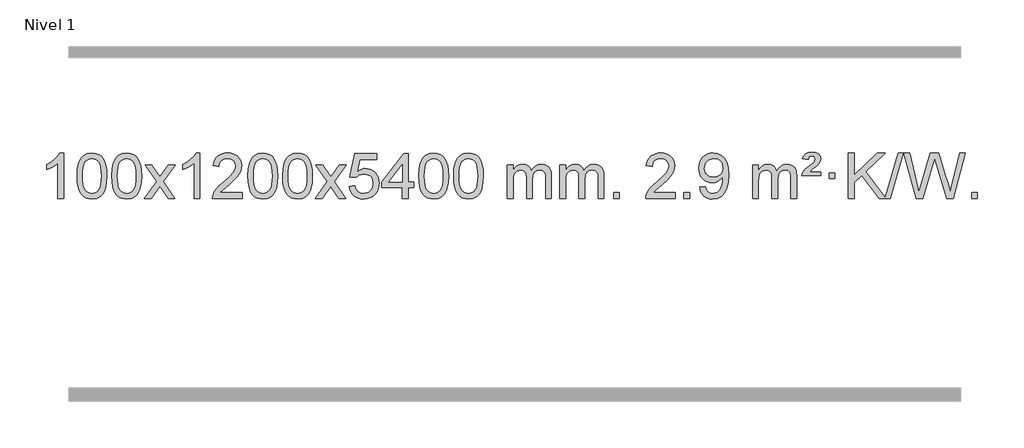
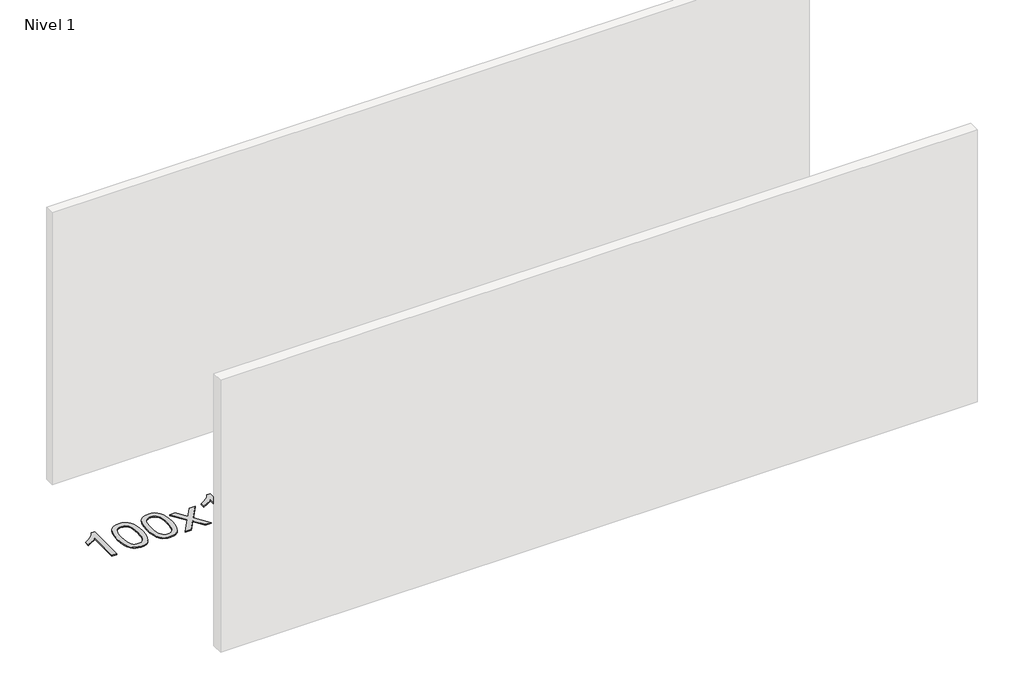
# One storey, part 12 of 16: 1 proxy.
"""IFC4 building model written with IfcOpenShell, lengths in millimetres."""

from ifc_helpers import new_model, si_unit, origin, origin_with_axes, place, context, project, spatial, polyline, outline, extrude, element, save

model = new_model("IFC4")

# Units and contexts
model_context = context("Model", 3, world=origin())
ifc_project = project(units=[si_unit("LENGTHUNIT", "METRE", prefix="MILLI")], contexts=[model_context])

# Site, building, storey
site = spatial("IfcSite", under=ifc_project)
building = spatial("IfcBuilding", under=site)
storey = spatial("IfcBuildingStorey", under=building, Name="Nivel 1", Elevation=0.0)

# Proxy
placement = place(None, origin())
element("IfcBuildingElementProxy", 1, Name="Texto de modelo 1", ObjectType="Texto de modelo 1", at=placement, inside=storey, context=model_context, shape_type="SweptSolid", body=[
    extrude(outline(polyline([(-275.4615788, -9420.579453), (-325.6897338, -9420.579453), (-325.6897338, -9107.4382987), (-346.6590076, -9124.3976587), (-373.2691385, -9141.3324932), (-426.146044, -9166.6918254), (-426.146044, -9119.2105225), (-386.6968314, -9097.7507395), (-352.520594, -9072.219729), (-325.5793692, -9045.0700378), (-307.8351943, -9018.7542124), (-275.4615788, -9018.7542124), (-275.4615788, -9420.579453)])), origin_with_axes(), (0.0, 0.0, 1.0), 10.0),
    extrude(outline(polyline([(-156.1697105, -9222.9041943), (-152.4786278, -9158.5861588), (-141.4053797, -9107.2911459), (-123.0603309, -9068.2343407), (-111.2022679, -9053.0009605), (-97.5538459, -9040.6309284), (-82.0690796, -9031.0598651), (-64.7019837, -9024.2233914), (-24.3208034, -9018.7542124), (6.6303351, -9021.991574), (34.3441121, -9031.7036586), (57.5206778, -9047.5103217), (74.8601825, -9069.0314184), (87.9567815, -9096.0830078), (98.4046302, -9128.4811488), (105.2472353, -9169.6226186), (107.5281037, -9222.9041943), (103.8738092, -9286.8543477), (92.9109257, -9338.0267333), (74.6762415, -9377.1203266), (62.8457697, -9392.3996922), (49.2065447, -9404.8341036), (33.7033843, -9414.4695462), (16.2811061, -9421.3520052), (-24.3208034, -9426.8579724), (-51.9855294, -9424.4667394), (-76.5109958, -9417.2930405), (-97.8972024, -9405.3368757), (-116.1441494, -9388.5982449), (-133.6553324, -9358.3399508), (-146.1633202, -9320.6381776), (-153.6681129, -9275.4929255), (-156.1697105, -9222.9041943)]), holes=[polyline([(-105.9415554, -9222.8060924), (-104.4700274, -9266.4706195), (-100.0554435, -9301.8148822), (-92.6978036, -9328.8388804), (-82.3971077, -9347.5426142), (-69.9381708, -9360.2682656), (-56.1058078, -9369.3580165), (-40.9000186, -9374.8118671), (-24.3208034, -9376.6298173), (-7.7415881, -9374.8057357), (7.464201, -9369.3334911), (21.296564, -9360.2130833), (33.7555009, -9347.4445124), (44.0561968, -9328.7101217), (51.4138367, -9301.6922549), (55.8284206, -9266.3909118), (57.2999486, -9222.8060924), (55.8774716, -9180.2973278), (51.6100404, -9145.5753989), (44.4976552, -9118.6403055), (34.5403158, -9099.4920476), (22.2898454, -9086.1440625), (8.2980668, -9076.6097875), (-7.4350198, -9070.8892225), (-24.9094146, -9068.9823675), (-41.4027907, -9070.6623619), (-56.3510624, -9075.7023452), (-69.7542298, -9084.1023175), (-81.6122928, -9095.8622786), (-92.2563452, -9116.708925), (-99.8592397, -9144.8151094), (-104.4209765, -9180.1808319), (-105.9415554, -9222.8060924)])]), origin_with_axes(), (0.0, 0.0, 1.0), 10.0),
    extrude(outline(polyline([(151.4777394, -9222.9041943), (155.1688221, -9158.5861588), (166.2420701, -9107.2911459), (184.5871189, -9068.2343407), (196.4451819, -9053.0009605), (210.0936039, -9040.6309284), (225.5783702, -9031.0598651), (242.9454661, -9024.2233914), (283.3266464, -9018.7542124), (314.277785, -9021.991574), (341.9915619, -9031.7036586), (365.1681276, -9047.5103217), (382.5076323, -9069.0314184), (395.6042314, -9096.0830078), (406.05208, -9128.4811488), (412.8946851, -9169.6226186), (415.1755535, -9222.9041943), (411.521259, -9286.8543477), (400.5583756, -9338.0267333), (382.3236913, -9377.1203266), (370.4932195, -9392.3996922), (356.8539945, -9404.8341036), (341.3508341, -9414.4695462), (323.928556, -9421.3520052), (283.3266464, -9426.8579724), (255.6619204, -9424.4667394), (231.1364541, -9417.2930405), (209.7502474, -9405.3368757), (191.5033004, -9388.5982449), (173.9921175, -9358.3399508), (161.4841296, -9320.6381776), (153.9793369, -9275.4929255), (151.4777394, -9222.9041943)]), holes=[polyline([(201.7058944, -9222.8060924), (203.1774224, -9266.4706195), (207.5920064, -9301.8148822), (214.9496463, -9328.8388804), (225.2503421, -9347.5426142), (237.709279, -9360.2682656), (251.5416421, -9369.3580165), (266.7474312, -9374.8118671), (283.3266464, -9376.6298173), (299.9058617, -9374.8057357), (315.1116508, -9369.3334911), (328.9440138, -9360.2130833), (341.4029507, -9347.4445124), (351.7036466, -9328.7101217), (359.0612865, -9301.6922549), (363.4758705, -9266.3909118), (364.9473984, -9222.8060924), (363.5249214, -9180.2973278), (359.2574902, -9145.5753989), (352.145105, -9118.6403055), (342.1877657, -9099.4920476), (329.9372952, -9086.1440625), (315.9455167, -9076.6097875), (300.21243, -9070.8892225), (282.7380352, -9068.9823675), (266.2446591, -9070.6623619), (251.2963874, -9075.7023452), (237.89322, -9084.1023175), (226.0351571, -9095.8622786), (215.3911047, -9116.708925), (207.7882101, -9144.8151094), (203.2264734, -9180.1808319), (201.7058944, -9222.8060924)])]), origin_with_axes(), (0.0, 0.0, 1.0), 10.0),
    extrude(outline(polyline([(440.2896311, -9420.579453), (547.6130718, -9272.2494325), (446.5681504, -9125.4890419), (506.9988995, -9125.4890419), (555.7555266, -9196.122385), (578.5151594, -9229.4770192), (598.2336343, -9202.2047007), (653.7592901, -9125.4890419), (714.1900392, -9125.4890419), (608.0438209, -9272.2494325), (710.2659646, -9420.579453), (649.8352155, -9420.579453), (588.3253459, -9331.4048574), (577.0436314, -9315.1199477), (500.7203801, -9420.579453), (440.2896311, -9420.579453)])), origin_with_axes(), (0.0, 0.0, 1.0), 10.0),
    extrude(outline(polyline([(930.014143, -9420.579453), (879.785988, -9420.579453), (879.785988, -9107.4382987), (858.8167142, -9124.3976587), (832.2065832, -9141.3324932), (779.3296778, -9166.6918254), (779.3296778, -9119.2105225), (818.7788904, -9097.7507395), (852.9551278, -9072.219729), (879.8963526, -9045.0700378), (897.6405275, -9018.7542124), (930.014143, -9018.7542124), (930.014143, -9420.579453)])), origin_with_axes(), (0.0, 0.0, 1.0), 10.0),
    extrude(outline(polyline([(1306.7253061, -9370.3512979), (1306.7253061, -9420.579453), (1043.0274919, -9420.579453), (1044.1311379, -9402.8965918), (1048.4230945, -9385.9494945), (1060.808455, -9358.8856424), (1078.9327747, -9332.6311307), (1105.1504982, -9305.1503456), (1141.8160704, -9274.4076736), (1196.017351, -9226.2641831), (1228.5381194, -9190.7267824), (1244.7985036, -9161.884834), (1250.2186316, -9133.8277005), (1245.1050719, -9108.6768347), (1229.7643927, -9087.7688747), (1206.1831568, -9073.6789943), (1176.347927, -9068.9823675), (1145.0166437, -9073.5686297), (1120.6751184, -9087.3274163), (1104.9665572, -9109.1796068), (1099.5341664, -9138.0460807), (1049.3060113, -9131.7675613), (1053.6255591, -9105.838012), (1061.4829054, -9083.1826125), (1072.8780502, -9063.8013627), (1087.8109935, -9047.6942627), (1105.9383788, -9035.0329907), (1126.9168496, -9025.989225), (1150.7464058, -9020.5629655), (1177.4270475, -9018.7542124), (1204.3468125, -9020.7653006), (1228.3051275, -9026.7985654), (1249.3019923, -9036.8540066), (1267.3374071, -9050.9316242), (1281.8227607, -9067.9890861), (1292.1694418, -9086.9840598), (1298.3774505, -9107.9165453), (1300.4467867, -9130.7865427), (1298.2149693, -9154.8092369), (1291.519517, -9178.4149983), (1279.6369285, -9202.4254299), (1261.8437027, -9227.6621347), (1233.4800009, -9257.7916701), (1189.8859844, -9296.4805933), (1132.1039857, -9344.795762), (1109.4424548, -9370.3512979), (1306.7253061, -9370.3512979)])), origin_with_axes(), (0.0, 0.0, 1.0), 10.0),
    extrude(outline(polyline([(1356.9534612, -9222.9041943), (1360.6445439, -9158.5861588), (1371.7177919, -9107.2911459), (1390.0628407, -9068.2343407), (1401.9209037, -9053.0009605), (1415.5693257, -9040.6309284), (1431.054092, -9031.0598651), (1448.4211879, -9024.2233914), (1488.8023682, -9018.7542124), (1519.7535068, -9021.991574), (1547.4672837, -9031.7036586), (1570.6438494, -9047.5103217), (1587.9833541, -9069.0314184), (1601.0799532, -9096.0830078), (1611.5278018, -9128.4811488), (1618.3704069, -9169.6226186), (1620.6512753, -9222.9041943), (1616.9969808, -9286.8543477), (1606.0340974, -9338.0267333), (1587.7994131, -9377.1203266), (1575.9689413, -9392.3996922), (1562.3297163, -9404.8341036), (1546.8265559, -9414.4695462), (1529.4042778, -9421.3520052), (1488.8023682, -9426.8579724), (1461.1376422, -9424.4667394), (1436.6121759, -9417.2930405), (1415.2259692, -9405.3368757), (1396.9790222, -9388.5982449), (1379.4678393, -9358.3399508), (1366.9598514, -9320.6381776), (1359.4550587, -9275.4929255), (1356.9534612, -9222.9041943)]), holes=[polyline([(1407.1816162, -9222.8060924), (1408.6531442, -9266.4706195), (1413.0677282, -9301.8148822), (1420.4253681, -9328.8388804), (1430.7260639, -9347.5426142), (1443.1850008, -9360.2682656), (1457.0173639, -9369.3580165), (1472.223153, -9374.8118671), (1488.8023682, -9376.6298173), (1505.3815835, -9374.8057357), (1520.5873726, -9369.3334911), (1534.4197356, -9360.2130833), (1546.8786725, -9347.4445124), (1557.1793684, -9328.7101217), (1564.5370083, -9301.6922549), (1568.9515923, -9266.3909118), (1570.4231202, -9222.8060924), (1569.0006432, -9180.2973278), (1564.733212, -9145.5753989), (1557.6208268, -9118.6403055), (1547.6634875, -9099.4920476), (1535.413017, -9086.1440625), (1521.4212385, -9076.6097875), (1505.6881518, -9070.8892225), (1488.213757, -9068.9823675), (1471.7203809, -9070.6623619), (1456.7721092, -9075.7023452), (1443.3689418, -9084.1023175), (1431.5108789, -9095.8622786), (1420.8668265, -9116.708925), (1413.2639319, -9144.8151094), (1408.7021952, -9180.1808319), (1407.1816162, -9222.8060924)])]), origin_with_axes(), (0.0, 0.0, 1.0), 10.0),
    extrude(outline(polyline([(1664.600911, -9222.9041943), (1668.2919937, -9158.5861588), (1679.3652417, -9107.2911459), (1697.7102906, -9068.2343407), (1709.5683535, -9053.0009605), (1723.2167756, -9040.6309284), (1738.7015419, -9031.0598651), (1756.0686377, -9024.2233914), (1796.4498181, -9018.7542124), (1827.4009566, -9021.991574), (1855.1147336, -9031.7036586), (1878.2912993, -9047.5103217), (1895.630804, -9069.0314184), (1908.727403, -9096.0830078), (1919.1752517, -9128.4811488), (1926.0178568, -9169.6226186), (1928.2987251, -9222.9041943), (1924.6444307, -9286.8543477), (1913.6815472, -9338.0267333), (1895.446863, -9377.1203266), (1883.6163911, -9392.3996922), (1869.9771662, -9404.8341036), (1854.4740058, -9414.4695462), (1837.0517276, -9421.3520052), (1796.4498181, -9426.8579724), (1768.785092, -9424.4667394), (1744.2596257, -9417.2930405), (1722.873419, -9405.3368757), (1704.6264721, -9388.5982449), (1687.1152891, -9358.3399508), (1674.6073013, -9320.6381776), (1667.1025086, -9275.4929255), (1664.600911, -9222.9041943)]), holes=[polyline([(1714.8290661, -9222.8060924), (1716.3005941, -9266.4706195), (1720.715178, -9301.8148822), (1728.0728179, -9328.8388804), (1738.3735138, -9347.5426142), (1750.8324507, -9360.2682656), (1764.6648137, -9369.3580165), (1779.8706028, -9374.8118671), (1796.4498181, -9376.6298173), (1813.0290333, -9374.8057357), (1828.2348225, -9369.3334911), (1842.0671855, -9360.2130833), (1854.5261224, -9347.4445124), (1864.8268182, -9328.7101217), (1872.1844581, -9301.6922549), (1876.5990421, -9266.3909118), (1878.0705701, -9222.8060924), (1876.648093, -9180.2973278), (1872.3806619, -9145.5753989), (1865.2682766, -9118.6403055), (1855.3109373, -9099.4920476), (1843.0604669, -9086.1440625), (1829.0686883, -9076.6097875), (1813.3356016, -9070.8892225), (1795.8612069, -9068.9823675), (1779.3678308, -9070.6623619), (1764.419559, -9075.7023452), (1751.0163917, -9084.1023175), (1739.1583287, -9095.8622786), (1728.5142763, -9116.708925), (1720.9113817, -9144.8151094), (1716.349645, -9180.1808319), (1714.8290661, -9222.8060924)])]), origin_with_axes(), (0.0, 0.0, 1.0), 10.0),
    extrude(outline(polyline([(1953.4128027, -9420.579453), (2060.7362434, -9272.2494325), (1959.6913221, -9125.4890419), (2020.1220711, -9125.4890419), (2068.8786982, -9196.122385), (2091.638331, -9229.4770192), (2111.3568059, -9202.2047007), (2166.8824617, -9125.4890419), (2227.3132108, -9125.4890419), (2121.1669925, -9272.2494325), (2223.3891362, -9420.579453), (2162.9583871, -9420.579453), (2101.4485175, -9331.4048574), (2090.166803, -9315.1199477), (2013.8435518, -9420.579453), (1953.4128027, -9420.579453)])), origin_with_axes(), (0.0, 0.0, 1.0), 10.0),
    extrude(outline(polyline([(2254.7817331, -9313.8446235), (2305.0098882, -9307.5661041), (2314.2314635, -9337.7201649), (2330.3201695, -9359.3148381), (2353.2024296, -9372.3010725), (2382.8046674, -9376.6298173), (2401.9345312, -9375.1245668), (2418.808052, -9370.6088153), (2433.42523, -9363.0825628), (2445.786065, -9352.5458094), (2455.6146457, -9339.519721), (2462.6350604, -9324.5254641), (2468.2513922, -9288.6324441), (2462.9906797, -9254.8363514), (2456.414789, -9240.9181493), (2447.2085421, -9228.9865099), (2435.341282, -9219.4154467), (2420.7823521, -9212.5789729), (2383.5894824, -9207.1097939), (2359.2234316, -9209.2925604), (2339.4926939, -9215.8408599), (2323.7350818, -9225.8717757), (2311.2884076, -9238.5023908), (2261.0602525, -9232.2238715), (2305.0098882, -9025.0327318), (2499.6439891, -9025.0327318), (2499.6439891, -9075.2608869), (2345.6240605, -9075.2608869), (2324.139752, -9185.919791), (2341.8655328, -9173.2155994), (2360.0205092, -9164.1411769), (2378.6046813, -9158.6965234), (2397.6180491, -9156.8816388), (2422.0791361, -9159.1318504), (2444.547529, -9165.882485), (2465.0232277, -9177.1335427), (2483.5062323, -9192.8850234), (2498.8070576, -9212.1743027), (2509.7362185, -9234.038756), (2516.2937151, -9258.4783832), (2518.4795473, -9285.4931844), (2516.5113786, -9311.5147042), (2510.6068726, -9335.7213394), (2500.7660292, -9358.1130902), (2486.9888485, -9378.6899565), (2466.1176766, -9399.7634634), (2441.7638885, -9414.8159684), (2413.9274842, -9423.8474714), (2382.6084637, -9426.8579724), (2356.6881115, -9424.9235262), (2333.2754882, -9419.1201877), (2312.3705938, -9409.447957), (2293.9734283, -9395.9068338), (2278.6664717, -9379.1712688), (2267.0322036, -9359.915712), (2259.0706241, -9338.1401636), (2254.7817331, -9313.8446235)])), origin_with_axes(), (0.0, 0.0, 1.0), 10.0),
    extrude(outline(polyline([(2725.670687, -9420.579453), (2725.670687, -9326.4016622), (2543.5936248, -9326.4016622), (2543.5936248, -9276.1735072), (2738.2277257, -9025.0327318), (2775.898842, -9025.0327318), (2775.898842, -9276.1735072), (2826.1269971, -9276.1735072), (2826.1269971, -9326.4016622), (2775.898842, -9326.4016622), (2775.898842, -9420.579453), (2725.670687, -9420.579453)]), holes=[polyline([(2725.670687, -9276.1735072), (2725.670687, -9120.9763561), (2605.3978, -9276.1735072), (2725.670687, -9276.1735072)])]), origin_with_axes(), (0.0, 0.0, 1.0), 10.0),
    extrude(outline(polyline([(2870.0766328, -9222.9041943), (2873.7677155, -9158.5861588), (2884.8409635, -9107.2911459), (2903.1860124, -9068.2343407), (2915.0440753, -9053.0009605), (2928.6924974, -9040.6309284), (2944.1772637, -9031.0598651), (2961.5443595, -9024.2233914), (3001.9255399, -9018.7542124), (3032.8766784, -9021.991574), (3060.5904554, -9031.7036586), (3083.7670211, -9047.5103217), (3101.1065258, -9069.0314184), (3114.2031248, -9096.0830078), (3124.6509735, -9128.4811488), (3131.4935786, -9169.6226186), (3133.7744469, -9222.9041943), (3130.1201525, -9286.8543477), (3119.157269, -9338.0267333), (3100.9225848, -9377.1203266), (3089.0921129, -9392.3996922), (3075.452888, -9404.8341036), (3059.9497276, -9414.4695462), (3042.5274494, -9421.3520052), (3001.9255399, -9426.8579724), (2974.2608138, -9424.4667394), (2949.7353475, -9417.2930405), (2928.3491408, -9405.3368757), (2910.1021939, -9388.5982449), (2892.5910109, -9358.3399508), (2880.0830231, -9320.6381776), (2872.5782304, -9275.4929255), (2870.0766328, -9222.9041943)]), holes=[polyline([(2920.3047879, -9222.8060924), (2921.7763158, -9266.4706195), (2926.1908998, -9301.8148822), (2933.5485397, -9328.8388804), (2943.8492356, -9347.5426142), (2956.3081725, -9360.2682656), (2970.1405355, -9369.3580165), (2985.3463246, -9374.8118671), (3001.9255399, -9376.6298173), (3018.5047551, -9374.8057357), (3033.7105442, -9369.3334911), (3047.5429073, -9360.2130833), (3060.0018442, -9347.4445124), (3070.30254, -9328.7101217), (3077.6601799, -9301.6922549), (3082.0747639, -9266.3909118), (3083.5462919, -9222.8060924), (3082.1238148, -9180.2973278), (3077.8563837, -9145.5753989), (3070.7439984, -9118.6403055), (3060.7866591, -9099.4920476), (3048.5361887, -9086.1440625), (3034.5444101, -9076.6097875), (3018.8113234, -9070.8892225), (3001.3369287, -9068.9823675), (2984.8435526, -9070.6623619), (2969.8952808, -9075.7023452), (2956.4921135, -9084.1023175), (2944.6340505, -9095.8622786), (2933.9899981, -9116.708925), (2926.3871035, -9144.8151094), (2921.8253668, -9180.1808319), (2920.3047879, -9222.8060924)])]), origin_with_axes(), (0.0, 0.0, 1.0), 10.0),
    extrude(outline(polyline([(3177.7240826, -9222.9041943), (3181.4151653, -9158.5861588), (3192.4884134, -9107.2911459), (3210.8334622, -9068.2343407), (3222.6915252, -9053.0009605), (3236.3399472, -9040.6309284), (3251.8247135, -9031.0598651), (3269.1918094, -9024.2233914), (3309.5729897, -9018.7542124), (3340.5241282, -9021.991574), (3368.2379052, -9031.7036586), (3391.4144709, -9047.5103217), (3408.7539756, -9069.0314184), (3421.8505746, -9096.0830078), (3432.2984233, -9128.4811488), (3439.1410284, -9169.6226186), (3441.4218968, -9222.9041943), (3437.7676023, -9286.8543477), (3426.8047188, -9338.0267333), (3408.5700346, -9377.1203266), (3396.7395628, -9392.3996922), (3383.1003378, -9404.8341036), (3367.5971774, -9414.4695462), (3350.1748992, -9421.3520052), (3309.5729897, -9426.8579724), (3281.9082637, -9424.4667394), (3257.3827973, -9417.2930405), (3235.9965907, -9405.3368757), (3217.7496437, -9388.5982449), (3200.2384607, -9358.3399508), (3187.7304729, -9320.6381776), (3180.2256802, -9275.4929255), (3177.7240826, -9222.9041943)]), holes=[polyline([(3227.9522377, -9222.8060924), (3229.4237657, -9266.4706195), (3233.8383496, -9301.8148822), (3241.1959895, -9328.8388804), (3251.4966854, -9347.5426142), (3263.9556223, -9360.2682656), (3277.7879853, -9369.3580165), (3292.9937744, -9374.8118671), (3309.5729897, -9376.6298173), (3326.1522049, -9374.8057357), (3341.3579941, -9369.3334911), (3355.1903571, -9360.2130833), (3367.649294, -9347.4445124), (3377.9499899, -9328.7101217), (3385.3076298, -9301.6922549), (3389.7222137, -9266.3909118), (3391.1937417, -9222.8060924), (3389.7712646, -9180.2973278), (3385.5038335, -9145.5753989), (3378.3914483, -9118.6403055), (3368.4341089, -9099.4920476), (3356.1836385, -9086.1440625), (3342.1918599, -9076.6097875), (3326.4587733, -9070.8892225), (3308.9843785, -9068.9823675), (3292.4910024, -9070.6623619), (3277.5427307, -9075.7023452), (3264.1395633, -9084.1023175), (3252.2815003, -9095.8622786), (3241.6374479, -9116.708925), (3234.0345534, -9144.8151094), (3229.4728166, -9180.1808319), (3227.9522377, -9222.8060924)])]), origin_with_axes(), (0.0, 0.0, 1.0), 10.0),
    extrude(outline(polyline([(3654.8915558, -9420.579453), (3654.8915558, -9125.4890419), (3705.1197109, -9125.4890419), (3705.1197109, -9174.0494653), (3720.2273982, -9151.7435537), (3739.6515675, -9134.2691589), (3762.7300314, -9122.9751816), (3788.8006021, -9119.2105225), (3816.7351082, -9123.048758), (3839.126859, -9134.5634645), (3855.8532271, -9152.9943524), (3866.7915851, -9177.5811324), (3885.0998457, -9152.0439906), (3905.9832803, -9133.803175), (3929.4418888, -9122.8586857), (3955.4756714, -9119.2105225), (3975.5834881, -9120.7280358), (3993.2326268, -9125.2805755), (4008.4230875, -9132.8681416), (4021.1548702, -9143.4907342), (4031.2195085, -9157.2709806), (4038.4085358, -9174.3315082), (4042.7219522, -9194.6723168), (4044.1597577, -9218.2934066), (4044.1597577, -9420.579453), (3993.9316026, -9420.579453), (3993.9316026, -9239.875817), (3992.7666429, -9214.8230531), (3989.271764, -9197.9372695), (3982.7234645, -9186.3735121), (3972.3982431, -9177.2868268), (3959.1177031, -9171.4007149), (3943.7034475, -9169.4386776), (3916.4924426, -9174.4663982), (3894.3091583, -9189.54956), (3885.7037853, -9201.1194488), (3879.5570903, -9215.7182326), (3874.6397343, -9254.0024856), (3874.6397343, -9420.579453), (3824.4115792, -9420.579453), (3824.4115792, -9234.2840106), (3821.5053115, -9205.8835206), (3812.7865082, -9185.6254854), (3797.445829, -9173.4853796), (3774.6739335, -9169.4386776), (3755.3233405, -9172.1364789), (3737.4933265, -9180.2298828), (3722.7780467, -9193.5226856), (3712.7716564, -9211.8186835), (3707.0326973, -9237.2025411), (3705.1197109, -9271.7589232), (3705.1197109, -9420.579453), (3654.8915558, -9420.579453)])), origin_with_axes(), (0.0, 0.0, 1.0), 10.0),
    extrude(outline(polyline([(4119.5019903, -9420.579453), (4119.5019903, -9125.4890419), (4169.7301454, -9125.4890419), (4169.7301454, -9174.0494653), (4184.8378326, -9151.7435537), (4204.262002, -9134.2691589), (4227.3404658, -9122.9751816), (4253.4110365, -9119.2105225), (4281.3455427, -9123.048758), (4303.7372935, -9134.5634645), (4320.4636615, -9152.9943524), (4331.4020195, -9177.5811324), (4349.7102801, -9152.0439906), (4370.5937147, -9133.803175), (4394.0523233, -9122.8586857), (4420.0861058, -9119.2105225), (4440.1939225, -9120.7280358), (4457.8430612, -9125.2805755), (4473.033522, -9132.8681416), (4485.7653047, -9143.4907342), (4495.8299429, -9157.2709806), (4503.0189703, -9174.3315082), (4507.3323866, -9194.6723168), (4508.7701921, -9218.2934066), (4508.7701921, -9420.579453), (4458.542037, -9420.579453), (4458.542037, -9239.875817), (4457.3770774, -9214.8230531), (4453.8821984, -9197.9372695), (4447.3338989, -9186.3735121), (4437.0086776, -9177.2868268), (4423.7281376, -9171.4007149), (4408.313882, -9169.4386776), (4381.1028771, -9174.4663982), (4358.9195927, -9189.54956), (4350.3142197, -9201.1194488), (4344.1675247, -9215.7182326), (4339.2501687, -9254.0024856), (4339.2501687, -9420.579453), (4289.0220137, -9420.579453), (4289.0220137, -9234.2840106), (4286.1157459, -9205.8835206), (4277.3969426, -9185.6254854), (4262.0562634, -9173.4853796), (4239.2843679, -9169.4386776), (4219.933775, -9172.1364789), (4202.1037609, -9180.2298828), (4187.3884811, -9193.5226856), (4177.3820909, -9211.8186835), (4171.6431317, -9237.2025411), (4169.7301454, -9271.7589232), (4169.7301454, -9420.579453), (4119.5019903, -9420.579453)])), origin_with_axes(), (0.0, 0.0, 1.0), 10.0),
    extrude(outline(polyline([(4596.6694635, -9420.579453), (4596.6694635, -9370.3512979), (4646.8976186, -9370.3512979), (4646.8976186, -9420.579453), (4596.6694635, -9420.579453)])), origin_with_axes(), (0.0, 0.0, 1.0), 10.0),
    extrude(outline(polyline([(5142.9006499, -9370.3512979), (5142.9006499, -9420.579453), (4879.2028358, -9420.579453), (4880.3064818, -9402.8965918), (4884.5984384, -9385.9494945), (4896.9837989, -9358.8856424), (4915.1081185, -9332.6311307), (4941.325842, -9305.1503456), (4977.9914142, -9274.4076736), (5032.1926948, -9226.2641831), (5064.7134632, -9190.7267824), (5080.9738474, -9161.884834), (5086.3939755, -9133.8277005), (5081.2804157, -9108.6768347), (5065.9397365, -9087.7688747), (5042.3585006, -9073.6789943), (5012.5232708, -9068.9823675), (4981.1919876, -9073.5686297), (4956.8504622, -9087.3274163), (4941.141901, -9109.1796068), (4935.7095102, -9138.0460807), (4885.4813552, -9131.7675613), (4889.8009029, -9105.838012), (4897.6582492, -9083.1826125), (4909.053394, -9063.8013627), (4923.9863373, -9047.6942627), (4942.1137226, -9035.0329907), (4963.0921934, -9025.989225), (4986.9217497, -9020.5629655), (5013.6023914, -9018.7542124), (5040.5221564, -9020.7653006), (5064.4804713, -9026.7985654), (5085.4773362, -9036.8540066), (5103.512751, -9050.9316242), (5117.9981045, -9067.9890861), (5128.3447857, -9086.9840598), (5134.5527943, -9107.9165453), (5136.6221305, -9130.7865427), (5134.3903131, -9154.8092369), (5127.6948608, -9178.4149983), (5115.8122724, -9202.4254299), (5098.0190465, -9227.6621347), (5069.6553447, -9257.7916701), (5026.0613283, -9296.4805933), (4968.2793296, -9344.795762), (4945.6177986, -9370.3512979), (5142.9006499, -9370.3512979)])), origin_with_axes(), (0.0, 0.0, 1.0), 10.0),
    extrude(outline(polyline([(5218.2428825, -9420.579453), (5218.2428825, -9370.3512979), (5268.4710376, -9370.3512979), (5268.4710376, -9420.579453), (5218.2428825, -9420.579453)])), origin_with_axes(), (0.0, 0.0, 1.0), 10.0),
    extrude(outline(polyline([(5356.370309, -9320.1231428), (5406.5984641, -9313.8446235), (5415.1823773, -9342.3554781), (5429.1618931, -9361.7673847), (5448.193655, -9372.9142092), (5471.9343064, -9376.6298173), (5493.2346739, -9374.2385843), (5512.5975296, -9367.0648854), (5528.6862355, -9355.8935355), (5540.1641538, -9341.5093495), (5556.5962162, -9297.8540194), (5562.0408698, -9269.4535294), (5563.8557543, -9239.5815114), (5563.5614487, -9229.7713248), (5546.1606303, -9251.0103787), (5523.3887348, -9267.8348486), (5496.8889684, -9278.7977321), (5468.3045374, -9282.4520265), (5444.4443243, -9280.2202091), (5422.503229, -9273.5247568), (5402.4812514, -9262.3656696), (5384.3783916, -9246.7429475), (5369.3780032, -9227.4720624), (5358.6634401, -9205.3684858), (5352.2347022, -9180.4322179), (5350.0917896, -9152.6632586), (5352.3389355, -9123.968463), (5359.080373, -9098.2167234), (5370.3161023, -9075.4080397), (5386.0461233, -9055.5424119), (5405.1606586, -9039.4475746), (5426.5499309, -9027.9512623), (5450.2139403, -9021.0534749), (5476.1526866, -9018.7542124), (5513.6153365, -9024.0026622), (5547.7179974, -9039.7480116), (5576.2411148, -9065.2054457), (5596.9651338, -9099.5901495), (5609.5834863, -9147.1205032), (5613.7896038, -9212.0148872), (5609.595749, -9280.821083), (5597.0141848, -9334.0045568), (5576.1552756, -9373.9688042), (5562.6632035, -9389.8950289), (5547.1293862, -9403.117321), (5529.8665236, -9413.503856), (5511.1873153, -9420.9228095), (5469.5798616, -9426.8579724), (5447.022564, -9425.1074672), (5426.6357701, -9419.8559517), (5408.4194799, -9411.1034259), (5392.3736936, -9398.8498898), (5378.9030812, -9383.4264372), (5368.412313, -9365.1641618), (5360.9013889, -9344.0630637), (5356.370309, -9320.1231428)]), holes=[polyline([(5563.5614487, -9151.4860363), (5558.1413206, -9117.444689), (5551.3661605, -9103.3670713), (5541.8809364, -9091.2514909), (5530.1516322, -9081.5087494), (5516.6442316, -9074.5496483), (5484.2951415, -9068.9823675), (5466.6858566, -9070.4814866), (5450.7443035, -9074.978844), (5436.4704821, -9082.4744396), (5423.8643924, -9092.9682736), (5413.5636965, -9105.8472091), (5406.2060566, -9120.4981095), (5401.7914727, -9136.9209749), (5400.3199447, -9155.1158053), (5405.8872255, -9186.1527829), (5412.8463266, -9199.2708417), (5422.5890681, -9210.7886139), (5434.7107799, -9220.1665391), (5448.8067917, -9226.8650571), (5482.9217153, -9232.2238715), (5515.0132881, -9226.8650571), (5540.8508668, -9210.7886139), (5550.7867464, -9199.0439812), (5557.8838032, -9185.2453407), (5563.5614487, -9151.4860363)])]), origin_with_axes(), (0.0, 0.0, 1.0), 10.0),
    extrude(outline(polyline([(5827.2592628, -9420.579453), (5827.2592628, -9125.4890419), (5877.4874179, -9125.4890419), (5877.4874179, -9174.0494653), (5892.5951052, -9151.7435537), (5912.0192745, -9134.2691589), (5935.0977383, -9122.9751816), (5961.1683091, -9119.2105225), (5989.1028152, -9123.048758), (6011.494566, -9134.5634645), (6028.2209341, -9152.9943524), (6039.159292, -9177.5811324), (6057.4675527, -9152.0439906), (6078.3509873, -9133.803175), (6101.8095958, -9122.8586857), (6127.8433783, -9119.2105225), (6147.9511951, -9120.7280358), (6165.6003338, -9125.2805755), (6180.7907945, -9132.8681416), (6193.5225772, -9143.4907342), (6203.5872155, -9157.2709806), (6210.7762428, -9174.3315082), (6215.0896592, -9194.6723168), (6216.5274647, -9218.2934066), (6216.5274647, -9420.579453), (6166.2993096, -9420.579453), (6166.2993096, -9239.875817), (6165.1343499, -9214.8230531), (6161.639471, -9197.9372695), (6155.0911715, -9186.3735121), (6144.7659501, -9177.2868268), (6131.4854101, -9171.4007149), (6116.0711545, -9169.4386776), (6088.8601496, -9174.4663982), (6066.6768653, -9189.54956), (6058.0714923, -9201.1194488), (6051.9247973, -9215.7182326), (6047.0074413, -9254.0024856), (6047.0074413, -9420.579453), (5996.7792862, -9420.579453), (5996.7792862, -9234.2840106), (5993.8730184, -9205.8835206), (5985.1542152, -9185.6254854), (5969.813536, -9173.4853796), (5947.0416405, -9169.4386776), (5927.6910475, -9172.1364789), (5909.8610335, -9180.2298828), (5895.1457537, -9193.5226856), (5885.1393634, -9211.8186835), (5879.4004043, -9237.2025411), (5877.4874179, -9271.7589232), (5877.4874179, -9420.579453), (5827.2592628, -9420.579453)])), origin_with_axes(), (0.0, 0.0, 1.0), 10.0),
    extrude(outline(polyline([(6260.4771003, -9219.6668327), (6264.3030731, -9203.8479069), (6272.6417317, -9187.9799302), (6294.1505656, -9162.8413272), (6326.1072483, -9135.1030247), (6370.2530877, -9097.726214), (6377.3899984, -9086.1992448), (6379.7689686, -9074.3779701), (6377.8805077, -9062.2869152), (6372.215125, -9052.5012541), (6362.8463969, -9046.026531), (6349.8478997, -9043.8682899), (6337.4134883, -9045.4869707), (6328.5597949, -9050.343013), (6322.1341227, -9059.8098431), (6316.9837748, -9075.2608869), (6266.7556197, -9068.9823675), (6277.5958759, -9043.7701881), (6294.224142, -9026.2099542), (6317.9893189, -9015.9092583), (6350.2403072, -9012.475693), (6386.0229626, -9016.6082341), (6410.7691581, -9029.0058573), (6425.1901323, -9047.3386434), (6429.9971237, -9069.2766731), (6425.9013708, -9092.1834586), (6413.6141122, -9113.8149199), (6393.0862969, -9133.6314968), (6356.6169284, -9161.6886303), (6331.0123416, -9188.2742358), (6429.9971237, -9188.2742358), (6429.9971237, -9219.6668327), (6260.4771003, -9219.6668327)])), origin_with_axes(), (0.0, 0.0, 1.0), 10.0),
    extrude(outline(polyline([(6505.3393563, -9244.7809102), (6505.3393563, -9194.5527552), (6555.5675114, -9194.5527552), (6555.5675114, -9244.7809102), (6505.3393563, -9244.7809102)])), origin_with_axes(), (0.0, 0.0, 1.0), 10.0),
    extrude(outline(polyline([(6946.2091394, -9420.579453), (6792.7778219, -9217.9009991), (6725.0875348, -9282.4520265), (6725.0875348, -9420.579453), (6674.8593797, -9420.579453), (6674.8593797, -9018.7542124), (6725.0875348, -9018.7542124), (6725.0875348, -9215.4484525), (6931.1014521, -9018.7542124), (7001.3423877, -9018.7542124), (6828.388799, -9183.9577537), (7003.0424089, -9414.5349332), (7114.3557366, -9018.7542124), (7159.6787984, -9018.7542124), (7046.6654495, -9420.579453), (7007.6209071, -9420.579453), (7001.3423877, -9420.579453), (6946.2091394, -9420.579453)])), origin_with_axes(), (0.0, 0.0, 1.0), 10.0),
    extrude(outline(polyline([(7274.1636753, -9420.579453), (7164.5838917, -9018.7542124), (7216.3816766, -9018.7542124), (7279.9516854, -9282.844434), (7299.5720585, -9364.3670841), (7320.5658576, -9292.2622131), (7400.2245723, -9018.7542124), (7474.8800919, -9018.7542124), (7532.7601925, -9217.0180823), (7557.5554389, -9290.5944814), (7575.8269114, -9364.3670841), (7594.8586732, -9285.1988788), (7659.0172932, -9018.7542124), (7710.8150781, -9018.7542124), (7601.1371926, -9420.579453), (7547.4754723, -9420.579453), (7451.1394405, -9110.5775584), (7437.6994849, -9067.3146358), (7422.5917976, -9119.4067263), (7334.7906281, -9420.579453), (7274.1636753, -9420.579453)])), origin_with_axes(), (0.0, 0.0, 1.0), 10.0),
    extrude(outline(polyline([(7767.3217526, -9420.579453), (7767.3217526, -9370.3512979), (7817.5499077, -9370.3512979), (7817.5499077, -9420.579453), (7767.3217526, -9420.579453)])), origin_with_axes(), (0.0, 0.0, 1.0), 10.0),
])

save(model, "model.ifc")
